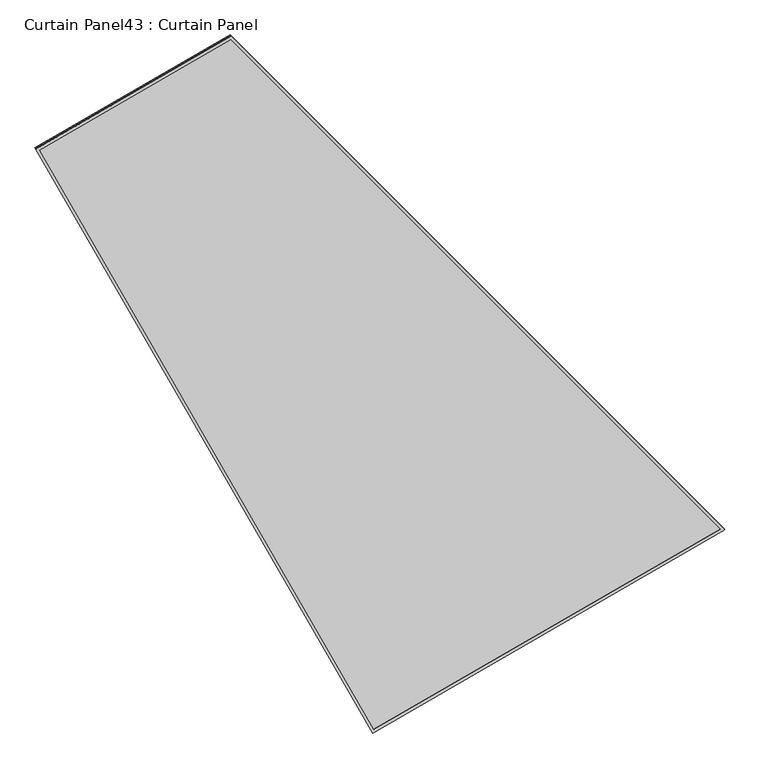
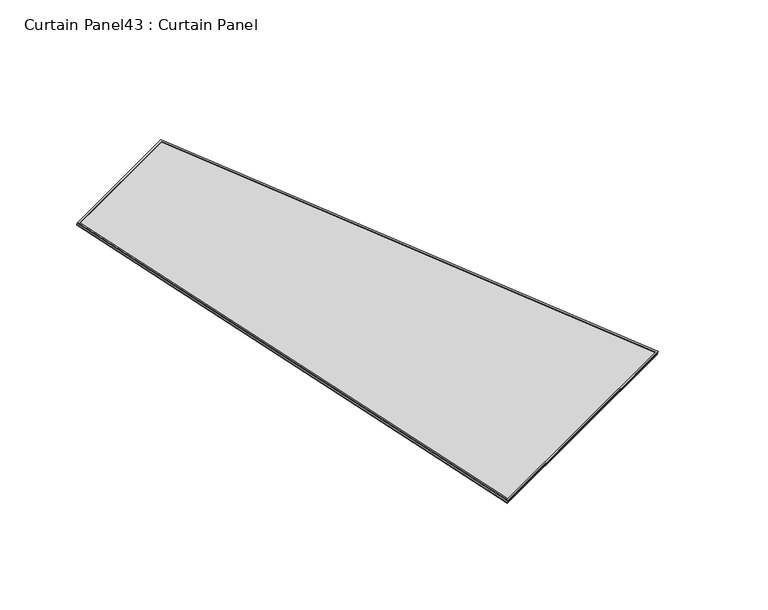
"""IFC4 building model written with IfcOpenShell, lengths in millimetres: plate geometry, Curtain Panel43 : Curtain Panel."""

from ifc_helpers import new_model, si_unit, frame, origin, place, context, project, spatial, polyline, outline, extrude, source, transform, mapped, element, save


def curtain_panel43_curtain_panel_4786b679(model_context):
    return source(origin(), model_context, "Body", "SweptSolid", [
        extrude(outline(polyline([(1625.9060242, -2842.2889641), (722.5275942, -2842.288964), (0.0, 0.0), (1625.9060241, -1e-07), (1625.9060242, -2842.2889641)]), holes=[polyline([(1614.7935241, -11.1125001), (14.290796, -11.1125001), (731.1686565, -2831.176464), (1614.7935241, -2831.176464), (1614.7935241, -11.1125001)])]), frame((19137.6074893, -5532.3404209, -25.8793379), z_axis=(0.1580729119869028, -0.2737903148616854, 0.9487106081329123), x_axis=(-0.8660254037844464, -0.4999999999999867, 0.0)), (0.0, 0.0, 1.0), 4.77096),
        extrude(outline(polyline([(1625.9060241, -2842.288964), (722.5275941, -2842.2889639), (0.0, 0.0), (1625.906024, 0.0), (1625.9060241, -2842.288964)]), holes=[polyline([(1614.793524, -11.1125), (14.2907959, -11.1125), (731.1686564, -2831.176464), (1614.793524, -2831.176464), (1614.793524, -11.1125)])]), frame((19140.3938972, -5537.1666211, -9.1560752), z_axis=(0.15807291198690224, -0.27379031486168354, 0.9487106081329129), x_axis=(-0.866025403784446, -0.4999999999999873, 0.0)), (0.0, 0.0, 1.0), 4.8414543),
        extrude(outline(polyline([(25.6892883, 0.0), (1651.5953125, 0.0), (1651.5953125, -2842.2889639), (748.2168826, -2842.288964), (25.6892883, 0.0)])), frame((19160.6092251, -5520.8020193, -21.3530775), z_axis=(0.15807291198690065, -0.27379031486168065, 0.948710608132914), x_axis=(-0.8660254037844427, -0.49999999999999306, 0.0)), (0.0, 0.0, 1.0), 12.8563991),
    ])


if __name__ == "__main__":
    model = new_model("IFC4")
    model_context = context("Model", 3, world=origin())
    ifc_project = project(units=[si_unit("LENGTHUNIT", "METRE", prefix="MILLI")], contexts=[model_context])
    site = spatial("IfcSite", under=ifc_project)
    building = spatial("IfcBuilding", under=site)
    placement = place(None, origin())
    curtain_panel43_curtain_panel_shape = curtain_panel43_curtain_panel_4786b679(model_context)
    element("IfcPlate", 1, ObjectType="Curtain Panel43 : Curtain Panel", at=placement, inside=building, context=model_context, shape_type="MappedRepresentation", body=[
        mapped(curtain_panel43_curtain_panel_shape, transform((0.0, 0.0, 0.0), x_axis=(1.0, 0.0, 0.0), y_axis=(0.0, 1.0, 0.0), z_axis=(0.0, 0.0, 1.0))),
    ])
    save(model, "model.ifc")
